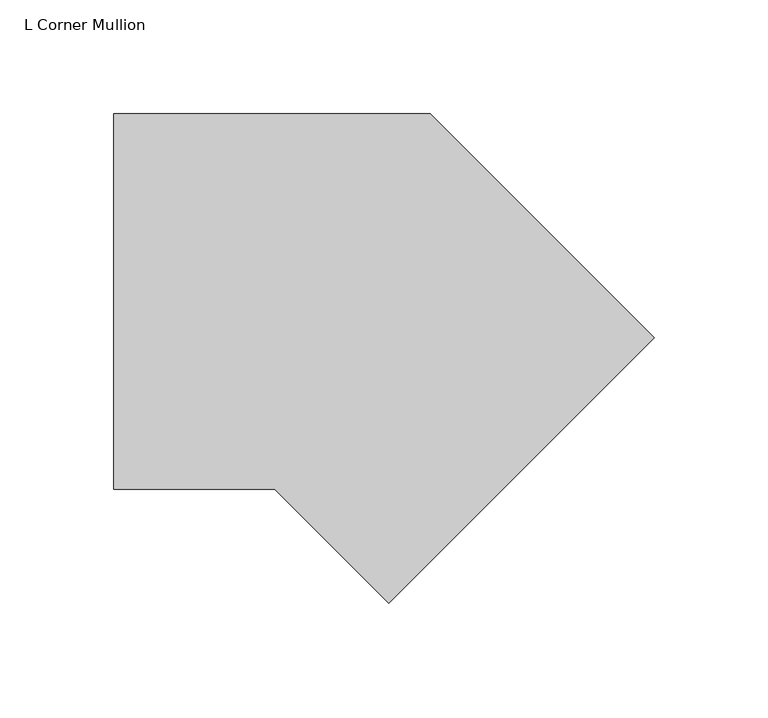
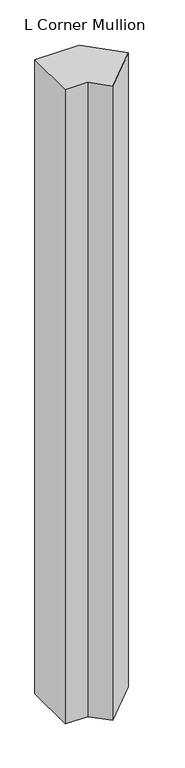
"""IFC4 building model written with IfcOpenShell, lengths in millimetres: member geometry, L Corner Mullion."""

from ifc_helpers import new_model, si_unit, frame, origin, place, context, project, spatial, polyline, outline, extrude, source, transform, mapped, element, save


def l_corner_mullion_ad4f6601(model_context):
    return source(origin(), model_context, "Body", "SweptSolid", [
        extrude(outline(polyline([(44.8587403, -62.8192525), (-5.2605122, -12.7), (-76.1398389, -12.7), (-76.1398389, 152.4), (63.1261469, 152.4), (161.6020699, 53.924077), (44.8587403, -62.8192525)])), frame((0.0, 0.0, -2113.59299), z_axis=(0.0, 0.0, 1.0), x_axis=(1.0, 0.0, 0.0)), (0.0, 0.0, 1.0), 2113.59299),
    ])


if __name__ == "__main__":
    model = new_model("IFC4")
    model_context = context("Model", 3, world=origin())
    ifc_project = project(units=[si_unit("LENGTHUNIT", "METRE", prefix="MILLI")], contexts=[model_context])
    site = spatial("IfcSite", under=ifc_project)
    building = spatial("IfcBuilding", under=site)
    placement = place(None, origin())
    l_corner_mullion_shape = l_corner_mullion_ad4f6601(model_context)
    element("IfcMember", 1, ObjectType="L Corner Mullion", at=placement, inside=building, context=model_context, shape_type="MappedRepresentation", body=[
        mapped(l_corner_mullion_shape, transform((0.0, 0.0, 0.0), x_axis=(1.0, 0.0, 0.0), y_axis=(0.0, 1.0, 0.0), z_axis=(0.0, 0.0, 1.0))),
    ])
    save(model, "model.ifc")
